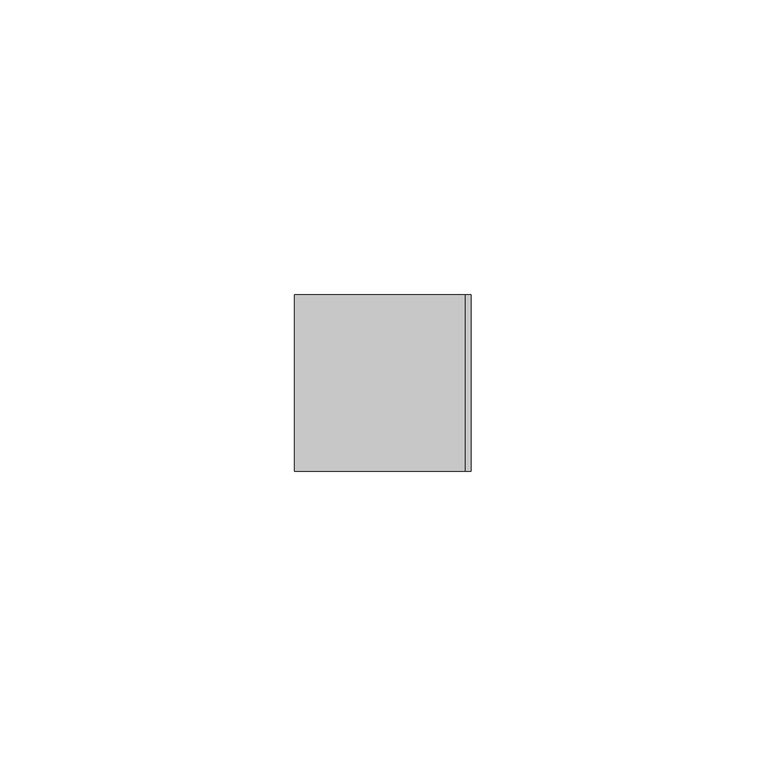
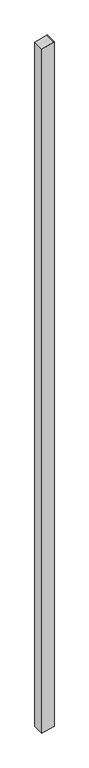
"""IFC4 building model written with IfcOpenShell, lengths in millimetres: member geometry."""

from ifc_helpers import new_model, si_unit, frame, origin, place, context, project, spatial, polyline, outline, extrude, source, transform, mapped, element, save


def member_8023f97c(model_context):
    return source(origin(), model_context, "Body", "SweptSolid", [
        extrude(outline(polyline([(-47.7068097, 15.0), (-47.9795878, 14.0697958), (-56.5041731, -15.0), (-1847.4912928, -15.0), (-1845.2058138, -6.4704761), (-1839.452817, 15.0), (-47.7068097, 15.0)])), frame((0.0, -15.0, 0.0), z_axis=(0.0, 1.0, 0.0), x_axis=(0.0, 0.0, 1.0)), (0.0, 0.0, 1.0), 30.0),
    ])


if __name__ == "__main__":
    model = new_model("IFC4")
    model_context = context("Model", 3, world=origin())
    ifc_project = project(units=[si_unit("LENGTHUNIT", "METRE", prefix="MILLI")], contexts=[model_context])
    site = spatial("IfcSite", under=ifc_project)
    building = spatial("IfcBuilding", under=site)
    placement = place(None, origin())
    member_shape = member_8023f97c(model_context)
    element("IfcMember", 1, at=placement, inside=building, context=model_context, shape_type="MappedRepresentation", body=[
        mapped(member_shape, transform((0.0, 0.0, 0.0), x_axis=(1.0, 0.0, 0.0), y_axis=(0.0, 1.0, 0.0), z_axis=(0.0, 0.0, 1.0))),
    ])
    save(model, "model.ifc")
